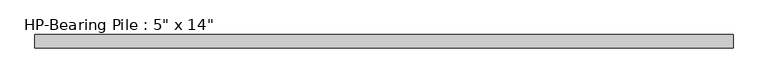
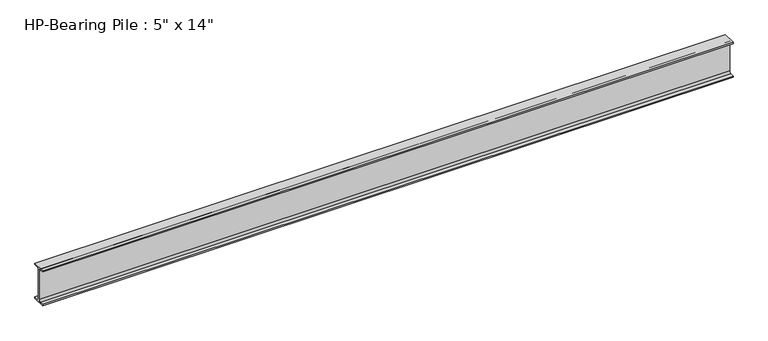
"""IFC4 building model written with IfcOpenShell, lengths in millimetres: beam geometry."""

from ifc_helpers import new_model, si_unit, point, frame, frame_2d, origin, place, context, project, spatial, polyline, circle_curve, trimmed, segment, composite_curve, outline, extrude, source, transform, mapped, element, save


def beam_bbe676a7(model_context):
    return source(origin(), model_context, "Body", "SweptSolid", [
        extrude(outline(composite_curve([segment(polyline([(63.5, -165.1), (63.5, -177.8), (-63.5, -177.8), (-63.5, -165.1), (-25.4, -165.1)]), True, "CONTINUOUS"), segment(trimmed(circle_curve(frame_2d((-25.4, -146.05)), 19.05), [point((-25.4, -165.1))], [point((-6.35, -146.05))], True, "CARTESIAN"), True, "CONTINUOUS"), segment(polyline([(-6.35, -146.05), (-6.35, 146.05)]), True, "CONTINUOUS"), segment(trimmed(circle_curve(frame_2d((-25.4, 146.05)), 19.05), [point((-6.35, 146.05))], [point((-25.4, 165.1))], True, "CARTESIAN"), True, "CONTINUOUS"), segment(polyline([(-25.4, 165.1), (-63.5, 165.1), (-63.5, 177.8), (63.5, 177.8), (63.5, 165.1), (25.4, 165.1)]), True, "CONTINUOUS"), segment(trimmed(circle_curve(frame_2d((25.4, 146.05)), 19.05), [point((25.4, 165.1))], [point((6.35, 146.05))], True, "CARTESIAN"), True, "CONTINUOUS"), segment(polyline([(6.35, 146.05), (6.35, -146.05)]), True, "CONTINUOUS"), segment(trimmed(circle_curve(frame_2d((25.4, -146.05)), 19.05), [point((6.35, -146.05))], [point((25.4, -165.1))], True, "CARTESIAN"), True, "CONTINUOUS"), segment(polyline([(25.4, -165.1), (63.5, -165.1)]), True, "CONTINUOUS")], self_intersect=False)), frame((-3320.0938134, 0.0, 0.0), z_axis=(1.0, 0.0, 0.0), x_axis=(0.0, 1.0, 0.0)), (0.0, 0.0, 1.0), 6640.1876268),
    ])


if __name__ == "__main__":
    model = new_model("IFC4")
    model_context = context("Model", 3, world=origin())
    ifc_project = project(units=[si_unit("LENGTHUNIT", "METRE", prefix="MILLI")], contexts=[model_context])
    site = spatial("IfcSite", under=ifc_project)
    building = spatial("IfcBuilding", under=site)
    placement = place(None, origin())
    beam_shape = beam_bbe676a7(model_context)
    element("IfcBeam", 1, ObjectType="HP-Bearing Pile : 5\" x 14\"", at=placement, inside=building, context=model_context, shape_type="MappedRepresentation", body=[
        mapped(beam_shape, transform((0.0, 0.0, 0.0), x_axis=(1.0, 0.0, 0.0), y_axis=(0.0, 1.0, 0.0), z_axis=(0.0, 0.0, 1.0))),
    ])
    save(model, "model.ifc")
